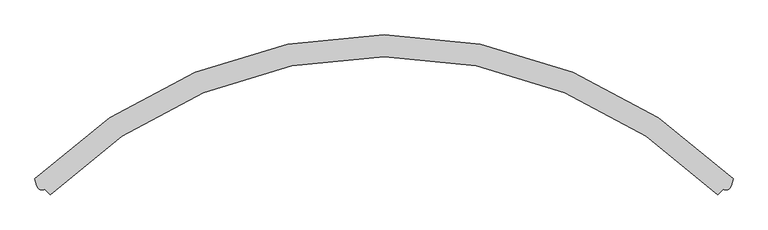
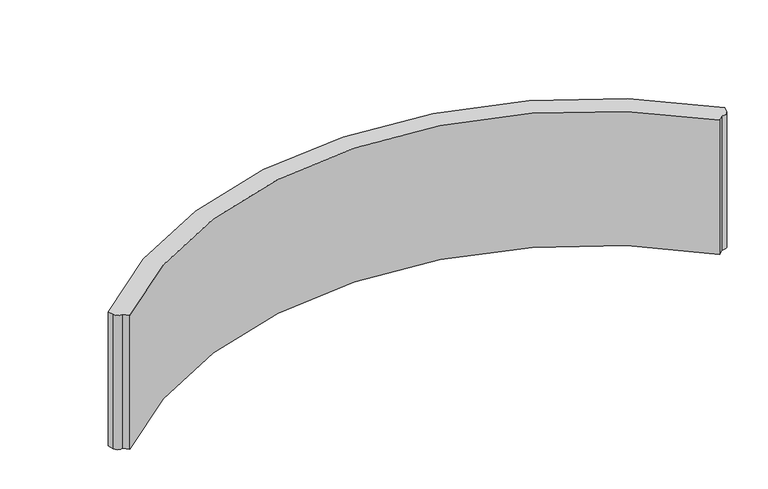
"""IFC4 building model written with IfcOpenShell, lengths in millimetres: proxy geometry."""

from ifc_helpers import new_model, si_unit, point, frame_2d, origin, origin_with_axes, place, context, project, spatial, polyline, circle_curve, trimmed, segment, composite_curve, outline, extrude, source, transform, mapped, element, save


def generic_models_39cee2d8(model_context):
    return source(origin(), model_context, "Body", "SweptSolid", [
        extrude(outline(composite_curve([segment(polyline([(-4737.1629156, 4341.680195), (-4760.7058285, 4431.1008523)]), True, "CONTINUOUS"), segment(trimmed(circle_curve(frame_2d((0.0, -355.0135226)), 6750.6452132), [point((-4760.7058285, 4431.1008523))], [point((4760.7058287, 4431.1008521))], False, "CARTESIAN"), True, "CONTINUOUS"), segment(polyline([(4760.7058287, 4431.1008521), (4737.1623908, 4341.6782)]), True, "CONTINUOUS"), segment(trimmed(circle_curve(frame_2d((4659.7968435, 4362.0392482)), 80.0000012), [point((4737.1623908, 4341.6782))], [point((4628.7687828, 4288.301472))], False, "CARTESIAN"), True, "CONTINUOUS"), segment(polyline([(4628.7687828, 4288.301472), (4554.2184001, 4213.3470213)]), True, "CONTINUOUS"), segment(trimmed(circle_curve(frame_2d((0.0, -355.0135226)), 6450.6451844), [point((4554.2184001, 4213.3470213))], [point((-4554.2183998, 4213.3470217))], True, "CARTESIAN"), True, "CONTINUOUS"), segment(polyline([(-4554.2183998, 4213.3470217), (-4628.7687821, 4288.3014723)]), True, "CONTINUOUS"), segment(trimmed(circle_curve(frame_2d((-4659.7968433, 4362.0392482)), 80.0000012), [point((-4628.7687821, 4288.3014723))], [point((-4737.1629156, 4341.680195))], False, "CARTESIAN"), True, "CONTINUOUS")], self_intersect=False)), origin_with_axes(), (0.0, 0.0, 1.0), 2190.0),
    ])


if __name__ == "__main__":
    model = new_model("IFC4")
    model_context = context("Model", 3, world=origin())
    ifc_project = project(units=[si_unit("LENGTHUNIT", "METRE", prefix="MILLI")], contexts=[model_context])
    site = spatial("IfcSite", under=ifc_project)
    building = spatial("IfcBuilding", under=site)
    placement = place(None, origin())
    generic_models_shape = generic_models_39cee2d8(model_context)
    element("IfcBuildingElementProxy", 1, Name="Generic Models", at=placement, inside=building, context=model_context, shape_type="MappedRepresentation", body=[
        mapped(generic_models_shape, transform((0.0, 0.0, 0.0), x_axis=(1.0, 0.0, 0.0), y_axis=(0.0, 1.0, 0.0), z_axis=(0.0, 0.0, 1.0))),
    ])
    save(model, "model.ifc")
